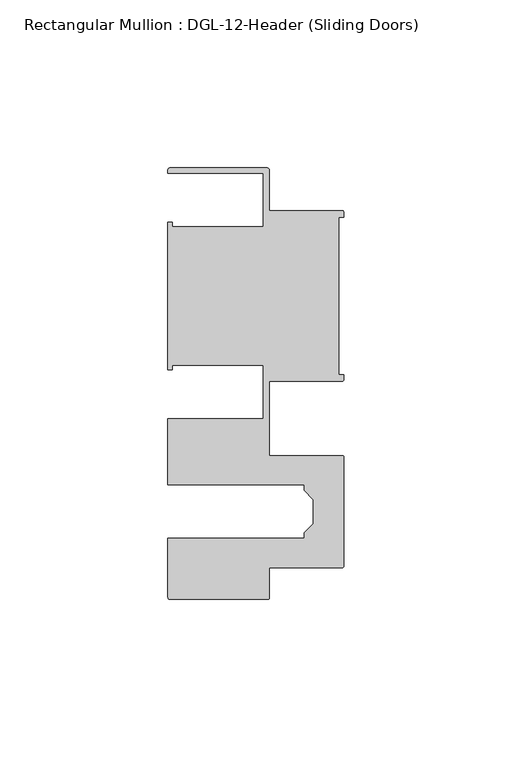
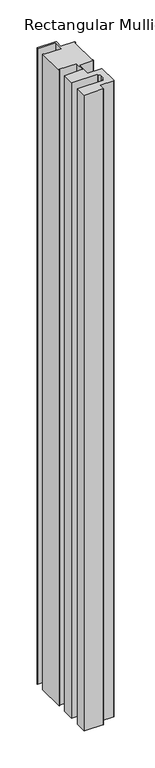
"""IFC4 building model written with IfcOpenShell, lengths in millimetres: member geometry, Rectangular Mullion : DGL-12-Header (Sliding Doors)."""

from ifc_helpers import new_model, si_unit, point, frame, frame_2d, origin, place, context, project, spatial, polyline, circle_curve, trimmed, segment, composite_curve, outline, extrude, source, transform, mapped, element, save


def rectangular_mullion_dgl_12_header_sliding_doors_f943d1de(model_context):
    return source(origin(), model_context, "Body", "SweptSolid", [
        extrude(outline(composite_curve([segment(trimmed(circle_curve(frame_2d((-0.5953125, 24.8046875)), 0.5953125), [point((-0.5953125, 25.4))], [point((0.0, 24.8046875))], False, "CARTESIAN"), True, "CONTINUOUS"), segment(polyline([(0.0, 24.8046875), (0.0, 23.488176), (-1.5001875, 23.488176), (-1.5001875, -23.488176), (0.0, -23.488176), (0.0, -24.8046875)]), True, "CONTINUOUS"), segment(trimmed(circle_curve(frame_2d((-0.5953125, -24.8046875)), 0.5953125), [point((0.0, -24.8046875))], [point((-0.5953125, -25.4))], False, "CARTESIAN"), True, "CONTINUOUS"), segment(polyline([(-0.5953125, -25.4), (-22.2332898, -25.4), (-22.2332898, -47.513352), (-0.60357, -47.513352)]), True, "CONTINUOUS"), segment(trimmed(circle_curve(frame_2d((-0.60357, -48.1086645)), 0.5953125), [point((-0.60357, -47.513352))], [point((-0.0082575, -48.1086645))], False, "CARTESIAN"), True, "CONTINUOUS"), segment(polyline([(-0.0082575, -48.1086645), (-0.0082575, -80.2801715)]), True, "CONTINUOUS"), segment(trimmed(circle_curve(frame_2d((-0.60357, -80.2801715)), 0.5953125), [point((-0.0082575, -80.2801715))], [point((-0.60357, -80.875484))], False, "CARTESIAN"), True, "CONTINUOUS"), segment(polyline([(-0.60357, -80.875484), (-22.2032575, -80.875484), (-22.2032575, -89.7299227)]), True, "CONTINUOUS"), segment(trimmed(circle_curve(frame_2d((-22.79857, -89.7299227)), 0.5953125), [point((-22.2032575, -89.7299227))], [point((-22.79857, -90.3252352))], False, "CARTESIAN"), True, "CONTINUOUS"), segment(polyline([(-22.79857, -90.3252352), (-51.7968699, -90.3252352)]), True, "CONTINUOUS"), segment(trimmed(circle_curve(frame_2d((-51.7968699, -89.7299227)), 0.5953125), [point((-51.7968699, -90.3252352))], [point((-52.3921824, -89.7299227))], False, "CARTESIAN"), True, "CONTINUOUS"), segment(polyline([(-52.3921824, -89.7299227), (-52.3921824, -72.175484), (-11.8582575, -72.175484), (-11.8582575, -70.4941892), (-9.1582575, -67.7941892), (-9.1582575, -60.5946468), (-11.8582575, -57.8946468), (-11.8582575, -56.213352), (-52.3921824, -56.213352), (-52.3921824, -36.512516), (-24.0747898, -36.512516), (-24.0747898, -20.5916734), (-51.1362531, -20.5916734), (-51.1362531, -21.9710976), (-52.3921824, -21.9710976), (-52.3921824, 21.9710976), (-51.1362531, 21.9710976), (-51.1362531, 20.5916734), (-24.0747898, 20.5916734), (-24.0747898, 36.512516), (-52.3921824, 36.512516), (-52.3921824, 37.5043667)]), True, "CONTINUOUS"), segment(trimmed(circle_curve(frame_2d((-51.7968699, 37.5043667)), 0.5953125), [point((-52.3921824, 37.5043667))], [point((-51.7968699, 38.0996792))], False, "CARTESIAN"), True, "CONTINUOUS"), segment(polyline([(-51.7968699, 38.0996792), (-22.8286023, 38.0996792)]), True, "CONTINUOUS"), segment(trimmed(circle_curve(frame_2d((-22.8286023, 37.5043667)), 0.5953125), [point((-22.8286023, 38.0996792))], [point((-22.2332898, 37.5043667))], False, "CARTESIAN"), True, "CONTINUOUS"), segment(polyline([(-22.2332898, 37.5043667), (-22.2332898, 25.4), (-0.5953125, 25.4)]), True, "CONTINUOUS")], self_intersect=False)), frame((0.0, 0.0, -1049.3853252), z_axis=(0.0, 0.0, 1.0), x_axis=(1.0, 0.0, 0.0)), (0.0, 0.0, 1.0), 1049.3853252),
    ])


if __name__ == "__main__":
    model = new_model("IFC4")
    model_context = context("Model", 3, world=origin())
    ifc_project = project(units=[si_unit("LENGTHUNIT", "METRE", prefix="MILLI")], contexts=[model_context])
    site = spatial("IfcSite", under=ifc_project)
    building = spatial("IfcBuilding", under=site)
    placement = place(None, origin())
    rectangular_mullion_dgl_12_header_sliding_doors_shape = rectangular_mullion_dgl_12_header_sliding_doors_f943d1de(model_context)
    element("IfcMember", 1, ObjectType="Rectangular Mullion : DGL-12-Header (Sliding Doors)", at=placement, inside=building, context=model_context, shape_type="MappedRepresentation", body=[
        mapped(rectangular_mullion_dgl_12_header_sliding_doors_shape, transform((0.0, 0.0, 0.0), x_axis=(1.0, 0.0, 0.0), y_axis=(0.0, 1.0, 0.0), z_axis=(0.0, 0.0, 1.0))),
    ])
    save(model, "model.ifc")
